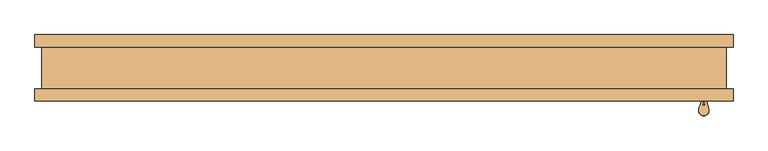
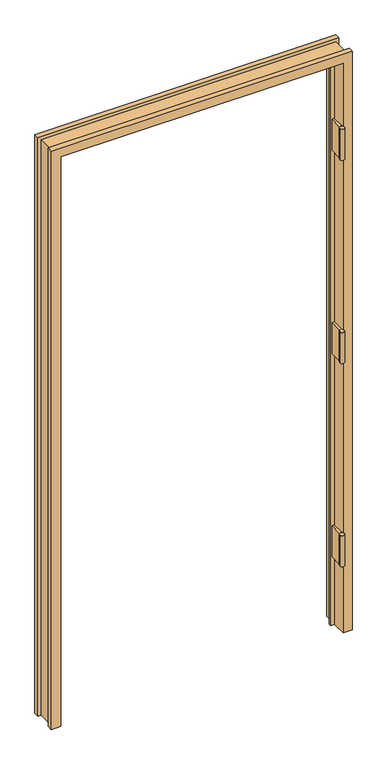
"""IFC4 building model written with IfcOpenShell, lengths in millimetres: door geometry."""

from ifc_helpers import new_model, si_unit, point, frame, frame_2d, origin, place, context, project, spatial, polyline, circle_curve, trimmed, segment, composite_curve, outline, extrude, faceted_brep, source, transform, mapped, element, save


def door_285584b1(model_context):
    return source(origin(), model_context, "Body", "SolidModel", [
        faceted_brep([(-492.3282, -50.0254003, 0.0), (-524.9672, -50.0254003, 0.0), (-524.9672, -31.4833003, 0.0), (-514.35, -31.4833003, 0.0), (-514.35, 31.4833003, 0.0), (-524.9672, 31.4833003, 0.0), (-524.9672, 50.0254003, 0.0), (-492.3282, 50.0254003, 0.0), (-492.3282, 10.8710997, 0.0), (-479.3742, 10.8710997, 0.0), (-479.3742, 2.5906997, 0.0), (-492.3282, 2.5906997, 0.0), (492.3282, -50.0254003, 0.0), (492.3282, 2.5906997, 0.0), (479.3742, 2.5906997, 0.0), (479.3742, 10.8710997, 0.0), (492.3282, 10.8710997, 0.0), (492.3282, 50.0254003, 0.0), (524.9672, 50.0254003, 0.0), (524.9672, 31.4833003, 0.0), (514.35, 31.4833003, 0.0), (514.35, -31.4833003, 0.0), (524.9672, -31.4833003, 0.0), (524.9672, -50.0254003, 0.0), (-492.3282, 2.5906997, 2100.5725997), (-492.3282, -50.0254003, 2100.5725997), (-479.3742, 2.5906997, 2087.6185997), (479.3742, 2.5906997, 2087.6185997), (492.3282, 2.5906997, 2100.5725997), (-479.3742, 10.8710997, 2087.6185997), (-492.3282, 10.8710997, 2100.5725997), (492.3282, 10.8710997, 2100.5725997), (479.3742, 10.8710997, 2087.6185997), (-492.3282, 50.0254003, 2100.5725997), (-524.9672, 50.0254003, 2133.2115997), (524.9672, 50.0254003, 2133.2115997), (492.3282, 50.0254003, 2100.5725997), (-524.9672, 31.4833003, 2133.2115997), (-514.35, 31.4833003, 2122.5943997), (514.35, 31.4833003, 2122.5943997), (524.9672, 31.4833003, 2133.2115997), (-514.35, -31.4833003, 2122.5943997), (-524.9672, -31.4833003, 2133.2115997), (524.9672, -31.4833003, 2133.2115997), (514.35, -31.4833003, 2122.5943997), (-524.9672, -50.0254003, 2133.2115997), (492.3282, -50.0254003, 2100.5725997), (524.9672, -50.0254003, 2133.2115997)], [[[0, 1, 2, 3, 4, 5, 6, 7, 8, 9, 10, 11]], [[12, 13, 14, 15, 16, 17, 18, 19, 20, 21, 22, 23]], [[11, 24, 25, 0]], [[10, 26, 27, 14, 13, 28, 24, 11]], [[9, 29, 26, 10]], [[8, 30, 31, 16, 15, 32, 29, 9]], [[7, 33, 30, 8]], [[6, 34, 35, 18, 17, 36, 33, 7]], [[5, 37, 34, 6]], [[4, 38, 39, 20, 19, 40, 37, 5]], [[3, 41, 38, 4]], [[2, 42, 43, 22, 21, 44, 41, 3]], [[1, 45, 42, 2]], [[0, 25, 46, 12, 23, 47, 45, 1]], [[24, 28, 46, 25]], [[29, 32, 27, 26]], [[33, 36, 31, 30]], [[37, 40, 35, 34]], [[41, 44, 39, 38]], [[45, 47, 43, 42]], [[28, 13, 12, 46]], [[32, 15, 14, 27]], [[36, 17, 16, 31]], [[40, 19, 18, 35]], [[44, 21, 20, 39]], [[47, 23, 22, 43]]]),
        extrude(outline(composite_curve([segment(polyline([(476.7199, -51.4224003), (476.7199, -10.1474003), (480.1235, -10.1474003), (480.1235, -51.9241411), (478.6607341, -56.7777214)]), True, "CONTINUOUS"), segment(trimmed(circle_curve(frame_2d((480.91725, -64.1224003)), 7.6835), [point((478.6607341, -56.7777214))], [point((483.1737659, -56.7777214))], False, "CARTESIAN"), True, "CONTINUOUS"), segment(polyline([(483.1737659, -56.7777214), (481.711, -51.9241411), (481.711, -10.1474003), (485.1146, -10.1474003), (485.1146, -51.4224003), (488.2739108, -61.9052592)]), True, "CONTINUOUS"), segment(trimmed(circle_curve(frame_2d((480.91725, -64.1224003)), 7.6835), [point((488.2739108, -61.9052592))], [point((473.5605892, -61.9052592))], False, "CARTESIAN"), True, "CONTINUOUS"), segment(polyline([(473.5605892, -61.9052592), (476.7199, -51.4224003)]), True, "CONTINUOUS")], self_intersect=False)), frame((0.0, 0.0, 261.90585), z_axis=(0.0, 0.0, 1.0), x_axis=(1.0, 0.0, 0.0)), (0.0, 0.0, 1.0), 114.3),
        extrude(outline(composite_curve([segment(polyline([(476.7199, -51.4224003), (476.7199, -10.1474003), (480.1235, -10.1474003), (480.1235, -51.9241411), (478.6607341, -56.7777214)]), True, "CONTINUOUS"), segment(trimmed(circle_curve(frame_2d((480.91725, -64.1224003)), 7.6835), [point((478.6607341, -56.7777214))], [point((483.1737659, -56.7777214))], False, "CARTESIAN"), True, "CONTINUOUS"), segment(polyline([(483.1737659, -56.7777214), (481.711, -51.9241411), (481.711, -10.1474003), (485.1146, -10.1474003), (485.1146, -51.4224003), (488.2739108, -61.9052592)]), True, "CONTINUOUS"), segment(trimmed(circle_curve(frame_2d((480.91725, -64.1224003)), 7.6835), [point((488.2739108, -61.9052592))], [point((473.5605892, -61.9052592))], False, "CARTESIAN"), True, "CONTINUOUS"), segment(polyline([(473.5605892, -61.9052592), (476.7199, -51.4224003)]), True, "CONTINUOUS")], self_intersect=False)), frame((0.0, 0.0, 1011.2375), z_axis=(0.0, 0.0, 1.0), x_axis=(1.0, 0.0, 0.0)), (0.0, 0.0, 1.0), 114.3),
        extrude(outline(composite_curve([segment(polyline([(476.7199, -51.4224003), (476.7199, -10.1474003), (480.1235, -10.1474003), (480.1235, -51.9241411), (478.6607341, -56.7777214)]), True, "CONTINUOUS"), segment(trimmed(circle_curve(frame_2d((480.91725, -64.1224003)), 7.6835), [point((478.6607341, -56.7777214))], [point((483.1737659, -56.7777214))], False, "CARTESIAN"), True, "CONTINUOUS"), segment(polyline([(483.1737659, -56.7777214), (481.711, -51.9241411), (481.711, -10.1474003), (485.1146, -10.1474003), (485.1146, -51.4224003), (488.2739108, -61.9052592)]), True, "CONTINUOUS"), segment(trimmed(circle_curve(frame_2d((480.91725, -64.1224003)), 7.6835), [point((488.2739108, -61.9052592))], [point((473.5605892, -61.9052592))], False, "CARTESIAN"), True, "CONTINUOUS"), segment(polyline([(473.5605892, -61.9052592), (476.7199, -51.4224003)]), True, "CONTINUOUS")], self_intersect=False)), frame((0.0, 0.0, 1760.5756), z_axis=(0.0, 0.0, 1.0), x_axis=(1.0, 0.0, 0.0)), (0.0, 0.0, 1.0), 114.3),
    ])


if __name__ == "__main__":
    model = new_model("IFC4")
    model_context = context("Model", 3, world=origin())
    ifc_project = project(units=[si_unit("LENGTHUNIT", "METRE", prefix="MILLI")], contexts=[model_context])
    site = spatial("IfcSite", under=ifc_project)
    building = spatial("IfcBuilding", under=site)
    placement = place(None, origin())
    door_shape = door_285584b1(model_context)
    element("IfcDoor", 1, at=placement, inside=building, context=model_context, shape_type="MappedRepresentation", body=[
        mapped(door_shape, transform((0.0, 0.0, 0.0), x_axis=(1.0, 0.0, 0.0), y_axis=(0.0, 1.0, 0.0), z_axis=(0.0, 0.0, 1.0))),
    ])
    save(model, "model.ifc")
